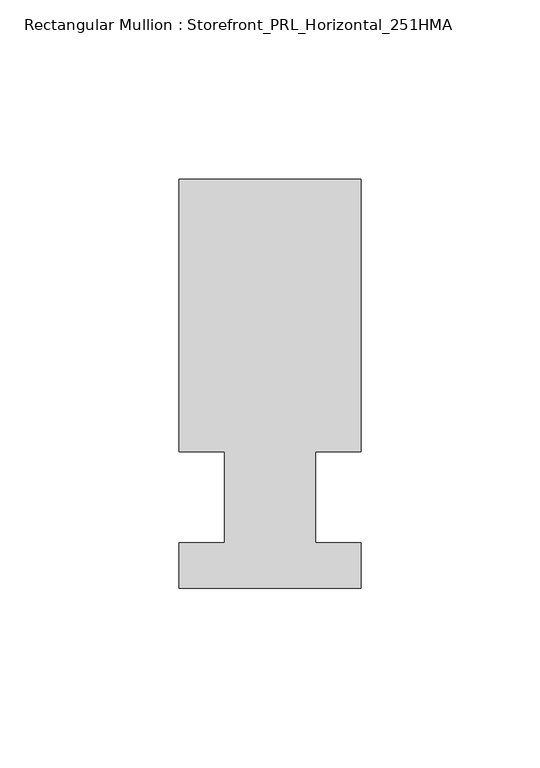
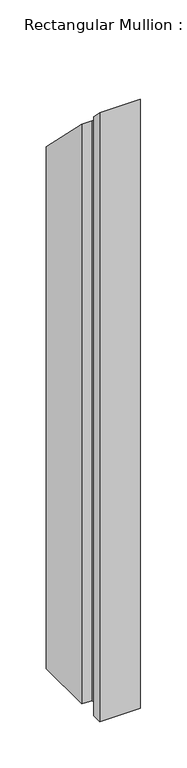
"""IFC4 building model written with IfcOpenShell, lengths in millimetres: member geometry, Rectangular Mullion : Storefront_PRL_Horizontal_251HMA."""

from ifc_helpers import new_model, si_unit, origin, place, context, project, spatial, faceted_brep, source, transform, mapped, element, save


def rectangular_mullion_storefront_prl_horizontal_251hma_3e97f02e(model_context):
    return source(origin(), model_context, "Body", "Brep", [
        faceted_brep([(-12.7, 12.7, -774.7), (-25.4, 12.7, -774.7), (-25.4, 88.9, -774.7), (25.4, 88.9, -774.7), (25.4, 12.7, -774.7), (12.7, 12.7, -774.7), (12.7, -12.7, -774.7), (25.4, -12.7, -774.7), (25.4, -25.4, -774.7), (-25.4, -25.4, -774.7), (-25.4, -12.7, -774.7), (-12.7, -12.7, -774.7), (-12.7, -12.7, 12.7), (-12.7, 12.7, -12.7), (-25.4, -12.7, 12.7), (-25.4, -25.4, 25.4), (25.4, -25.4, 25.4), (25.4, -12.7, 12.7), (12.7, -12.7, 12.7), (12.7, 12.7, -12.7), (25.4, 12.7, -12.7), (25.4, 88.9, -88.9), (-25.4, 88.9, -88.9), (-25.4, 12.7, -12.7)], [[[0, 1, 2, 3, 4, 5, 6, 7, 8, 9, 10, 11]], [[12, 13, 0, 11]], [[14, 12, 11, 10]], [[15, 14, 10, 9]], [[16, 15, 9, 8]], [[17, 16, 8, 7]], [[18, 17, 7, 6]], [[19, 18, 6, 5]], [[20, 19, 5, 4]], [[21, 20, 4, 3]], [[22, 21, 3, 2]], [[23, 22, 2, 1]], [[13, 23, 1, 0]], [[13, 12, 14, 15, 16, 17, 18, 19, 20, 21, 22, 23]]]),
    ])


if __name__ == "__main__":
    model = new_model("IFC4")
    model_context = context("Model", 3, world=origin())
    ifc_project = project(units=[si_unit("LENGTHUNIT", "METRE", prefix="MILLI")], contexts=[model_context])
    site = spatial("IfcSite", under=ifc_project)
    building = spatial("IfcBuilding", under=site)
    placement = place(None, origin())
    rectangular_mullion_storefront_prl_horizontal_251hma_shape = rectangular_mullion_storefront_prl_horizontal_251hma_3e97f02e(model_context)
    element("IfcMember", 1, ObjectType="Rectangular Mullion : Storefront_PRL_Horizontal_251HMA", at=placement, inside=building, context=model_context, shape_type="MappedRepresentation", body=[
        mapped(rectangular_mullion_storefront_prl_horizontal_251hma_shape, transform((0.0, 0.0, 0.0), x_axis=(1.0, 0.0, 0.0), y_axis=(0.0, 1.0, 0.0), z_axis=(0.0, 0.0, 1.0))),
    ])
    save(model, "model.ifc")
